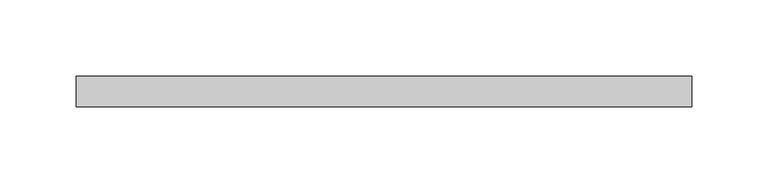
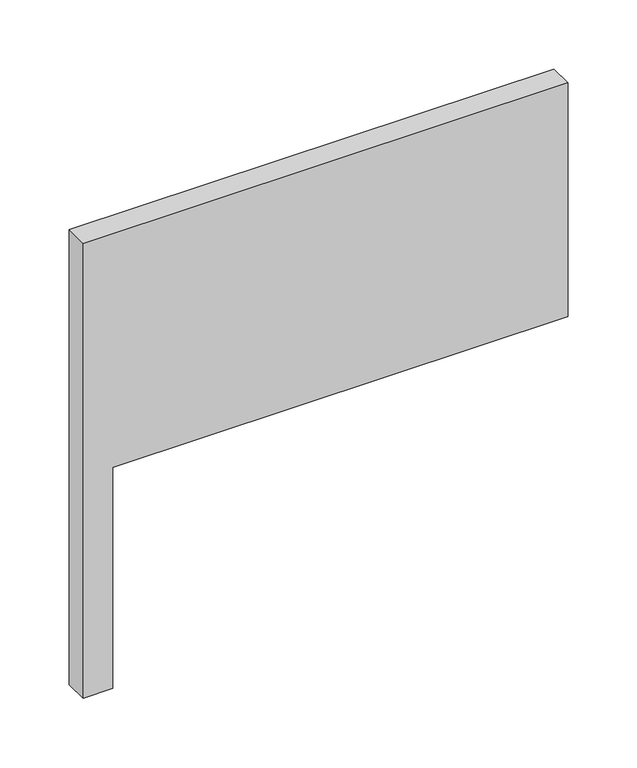
"""IFC4 building model written with IfcOpenShell, lengths in millimetres: plate geometry."""

from ifc_helpers import new_model, si_unit, frame, origin, place, context, project, spatial, polyline, outline, extrude, source, transform, mapped, element, save


def plate_1a62793f(model_context):
    return source(origin(), model_context, "Body", "SweptSolid", [
        extrude(outline(polyline([(0.0, -202.3913043), (0.0, -177.3913043), (195.2028354, -177.3913043), (195.2028354, 202.3913043), (401.6624409, 202.3913043), (401.6624409, -202.3913043), (0.0, -202.3913043)])), frame((0.0, 70.0, 0.0), z_axis=(0.0, 1.0, 0.0), x_axis=(0.0, 0.0, 1.0)), (0.0, 0.0, 1.0), 20.0),
    ])


if __name__ == "__main__":
    model = new_model("IFC4")
    model_context = context("Model", 3, world=origin())
    ifc_project = project(units=[si_unit("LENGTHUNIT", "METRE", prefix="MILLI")], contexts=[model_context])
    site = spatial("IfcSite", under=ifc_project)
    building = spatial("IfcBuilding", under=site)
    placement = place(None, origin())
    plate_shape = plate_1a62793f(model_context)
    element("IfcPlate", 1, at=placement, inside=building, context=model_context, shape_type="MappedRepresentation", body=[
        mapped(plate_shape, transform((0.0, 0.0, 0.0), x_axis=(1.0, 0.0, 0.0), y_axis=(0.0, 1.0, 0.0), z_axis=(0.0, 0.0, 1.0))),
    ])
    save(model, "model.ifc")
